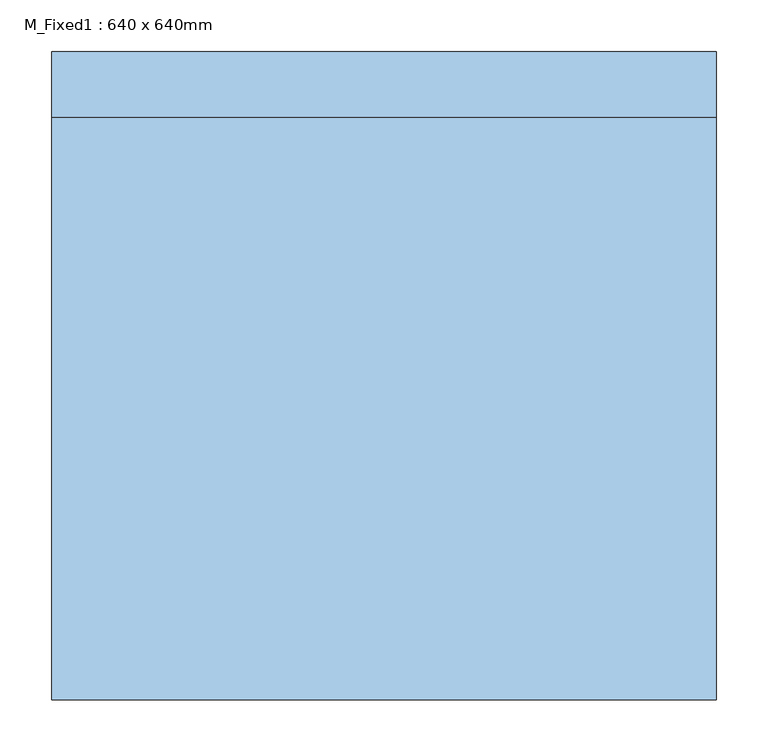
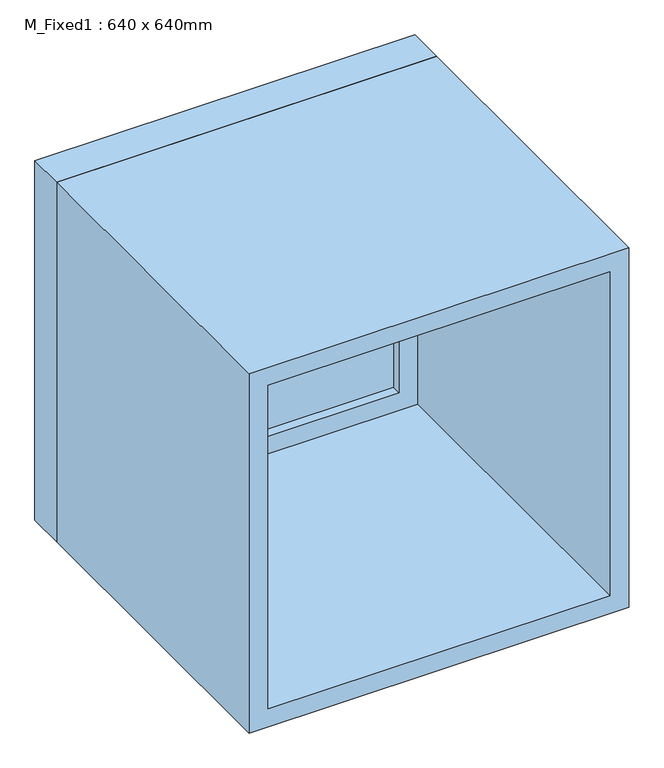
"""IFC4 building model written with IfcOpenShell, lengths in millimetres: window geometry, M_Fixed1 : 640 x 640mm."""

from ifc_helpers import new_model, si_unit, frame, origin, place, context, project, spatial, polyline, outline, extrude, source, transform, mapped, element, save


def m_fixed1_640_x_640mm_3ffa77d8(model_context):
    return source(origin(), model_context, "Body", "SweptSolid", [
        extrude(outline(polyline([(-257.0, 290.2489491), (257.0, 290.2489491), (257.0, 278.2489491), (-257.0, 278.2489491), (-257.0, 290.2489491)])), frame((0.0, 0.0, 978.0), z_axis=(0.0, 0.0, 1.0), x_axis=(1.0, 0.0, 0.0)), (0.0, 0.0, 1.0), 514.0),
        extrude(outline(polyline([(1536.0, -301.0), (934.0, -301.0), (934.0, 301.0), (1536.0, 301.0), (1536.0, -301.0)]), holes=[polyline([(1492.0, -257.0), (1492.0, 257.0), (978.0, 257.0), (978.0, -257.0), (1492.0, -257.0)])]), frame((0.0, 262.2489491, 0.0), z_axis=(0.0, 1.0, 0.0), x_axis=(0.0, 0.0, 1.0)), (0.0, 0.0, 1.0), 44.0),
        extrude(outline(polyline([(1555.0, -320.0), (915.0, -320.0), (915.0, 320.0), (1555.0, 320.0), (1555.0, -320.0)]), holes=[polyline([(1536.0, -301.0), (1536.0, 301.0), (934.0, 301.0), (934.0, -301.0), (1536.0, -301.0)])]), frame((0.0, 262.2489491, 0.0), z_axis=(0.0, 1.0, 0.0), x_axis=(0.0, 0.0, 1.0)), (0.0, 0.0, 1.0), 63.0),
        extrude(outline(polyline([(1555.0, -320.0), (915.0, -320.0), (915.0, 320.0), (1555.0, 320.0), (1555.0, -320.0)]), holes=[polyline([(1523.0, -288.0), (1523.0, 288.0), (947.0, 288.0), (947.0, -288.0), (1523.0, -288.0)])]), frame((0.0, -299.2489491, 0.0), z_axis=(0.0, 1.0, 0.0), x_axis=(0.0, 0.0, 1.0)), (0.0, 0.0, 1.0), 561.4978982),
    ])


if __name__ == "__main__":
    model = new_model("IFC4")
    model_context = context("Model", 3, world=origin())
    ifc_project = project(units=[si_unit("LENGTHUNIT", "METRE", prefix="MILLI")], contexts=[model_context])
    site = spatial("IfcSite", under=ifc_project)
    building = spatial("IfcBuilding", under=site)
    placement = place(None, origin())
    m_fixed1_640_x_640mm_shape = m_fixed1_640_x_640mm_3ffa77d8(model_context)
    element("IfcWindow", 1, ObjectType="M_Fixed1 : 640 x 640mm", at=placement, inside=building, context=model_context, shape_type="MappedRepresentation", body=[
        mapped(m_fixed1_640_x_640mm_shape, transform((0.0, 0.0, 0.0), x_axis=(1.0, 0.0, 0.0), y_axis=(0.0, 1.0, 0.0), z_axis=(0.0, 0.0, 1.0))),
    ])
    save(model, "model.ifc")
